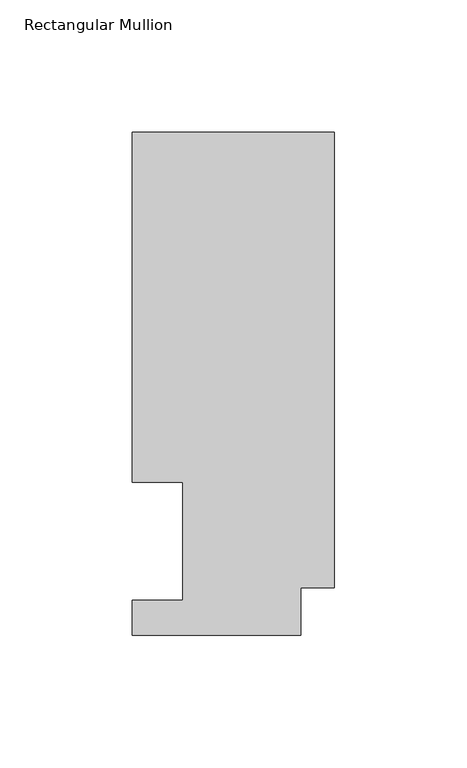
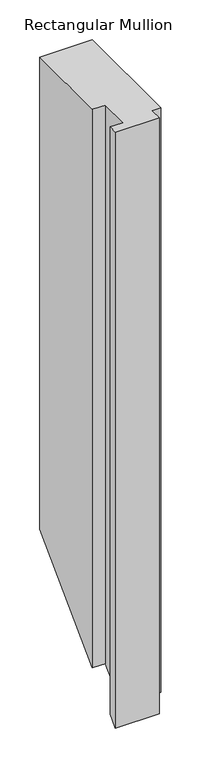
"""IFC4 building model written with IfcOpenShell, lengths in millimetres: member geometry, Rectangular Mullion."""

from ifc_helpers import new_model, si_unit, origin, place, context, project, spatial, faceted_brep, source, transform, mapped, element, save


def rectangular_mullion_2571165d(model_context):
    return source(origin(), model_context, "Body", "Brep", [
        faceted_brep([(0.0, 189.8022938, 0.0), (-76.2, 189.8022938, 0.0), (-76.2, 57.6460937, 0.0), (-57.1627, 57.6460937, 0.0), (-57.1627, 13.1960938, 0.0), (-76.2, 13.1960938, 0.0), (-76.2, 0.0134938, 0.0), (-12.7, 0.0134938, 0.0), (-12.7, 17.9712937, 0.0), (0.0, 17.9712937, 0.0), (0.0, 189.8022938, -724.5977063), (-76.2, 189.8022938, -724.5977063), (-76.2, 57.6460937, -856.7539063), (-57.1627, 57.6460937, -856.7539063), (-57.1627, 13.1960938, -901.2039063), (-76.2, 13.1960938, -901.2039063), (-76.2, 0.0134938, -914.3865063), (-12.7, 0.0134938, -914.3865063), (-12.7, 17.9712937, -896.4287063), (0.0, 17.9712937, -896.4287063)], [[[0, 1, 2, 3, 4, 5, 6, 7, 8, 9]], [[1, 0, 10, 11]], [[2, 1, 11, 12]], [[3, 2, 12, 13]], [[4, 3, 13, 14]], [[5, 4, 14, 15]], [[6, 5, 15, 16]], [[7, 6, 16, 17]], [[8, 7, 17, 18]], [[9, 8, 18, 19]], [[0, 9, 19, 10]], [[10, 19, 18, 17, 16, 15, 14, 13, 12, 11]]]),
    ])


if __name__ == "__main__":
    model = new_model("IFC4")
    model_context = context("Model", 3, world=origin())
    ifc_project = project(units=[si_unit("LENGTHUNIT", "METRE", prefix="MILLI")], contexts=[model_context])
    site = spatial("IfcSite", under=ifc_project)
    building = spatial("IfcBuilding", under=site)
    placement = place(None, origin())
    rectangular_mullion_shape = rectangular_mullion_2571165d(model_context)
    element("IfcMember", 1, ObjectType="Rectangular Mullion", at=placement, inside=building, context=model_context, shape_type="MappedRepresentation", body=[
        mapped(rectangular_mullion_shape, transform((0.0, 0.0, 0.0), x_axis=(1.0, 0.0, 0.0), y_axis=(0.0, 1.0, 0.0), z_axis=(0.0, 0.0, 1.0))),
    ])
    save(model, "model.ifc")
